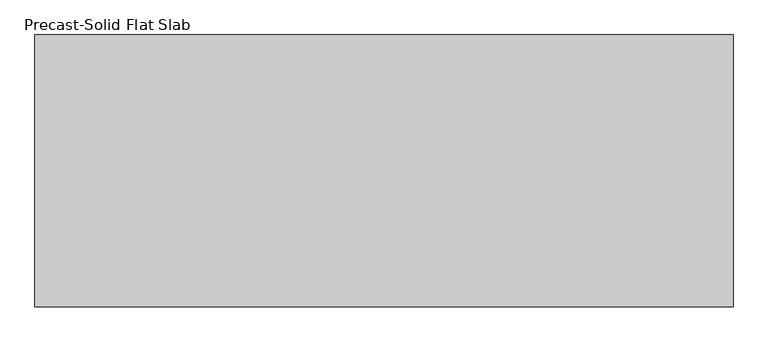
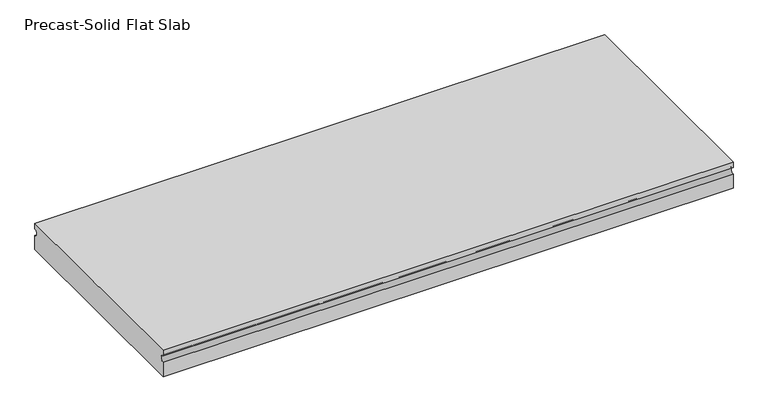
"""IFC4 building model written with IfcOpenShell, lengths in millimetres: beam geometry, Precast-Solid Flat Slab."""

from ifc_helpers import new_model, si_unit, point, frame, frame_2d, origin, place, context, project, spatial, polyline, circle_curve, trimmed, segment, composite_curve, outline, extrude, source, transform, mapped, element, save


def precast_solid_flat_slab_b4a0bc8a(model_context):
    return source(origin(), model_context, "Body", "SweptSolid", [
        extrude(outline(composite_curve([segment(polyline([(-304.8, 38.1), (304.8, 38.1), (304.8, 22.225)]), True, "CONTINUOUS"), segment(trimmed(circle_curve(frame_2d((304.8, 12.7)), 9.525), [point((304.8, 22.225))], [point((304.8, 3.175))], True, "CARTESIAN"), True, "CONTINUOUS"), segment(polyline([(304.8, 3.175), (304.8, -38.1), (-304.8, -38.1), (-304.8, 3.175)]), True, "CONTINUOUS"), segment(trimmed(circle_curve(frame_2d((-304.8, 12.7)), 9.525), [point((-304.8, 3.175))], [point((-304.8, 22.225))], True, "CARTESIAN"), True, "CONTINUOUS"), segment(polyline([(-304.8, 22.225), (-304.8, 38.1)]), True, "CONTINUOUS")], self_intersect=False)), frame((-735.9550781, 0.0, 0.0), z_axis=(1.0, 0.0, 0.0), x_axis=(0.0, 1.0, 0.0)), (0.0, 0.0, 1.0), 1566.2175775),
    ])


if __name__ == "__main__":
    model = new_model("IFC4")
    model_context = context("Model", 3, world=origin())
    ifc_project = project(units=[si_unit("LENGTHUNIT", "METRE", prefix="MILLI")], contexts=[model_context])
    site = spatial("IfcSite", under=ifc_project)
    building = spatial("IfcBuilding", under=site)
    placement = place(None, origin())
    precast_solid_flat_slab_shape = precast_solid_flat_slab_b4a0bc8a(model_context)
    element("IfcBeam", 1, ObjectType="Precast-Solid Flat Slab", at=placement, inside=building, context=model_context, shape_type="MappedRepresentation", body=[
        mapped(precast_solid_flat_slab_shape, transform((0.0, 0.0, 0.0), x_axis=(1.0, 0.0, 0.0), y_axis=(0.0, 1.0, 0.0), z_axis=(0.0, 0.0, 1.0))),
    ])
    save(model, "model.ifc")
